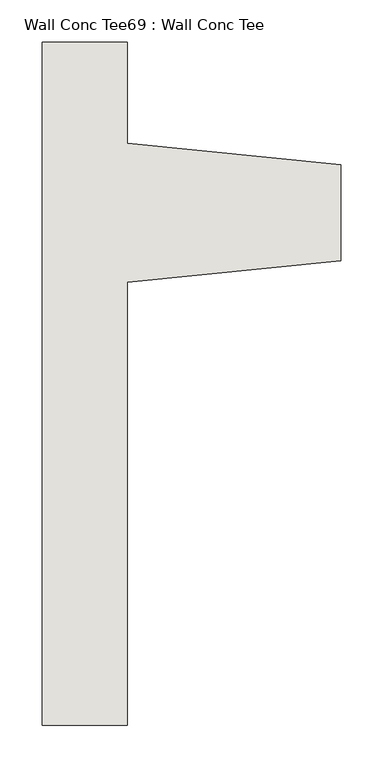
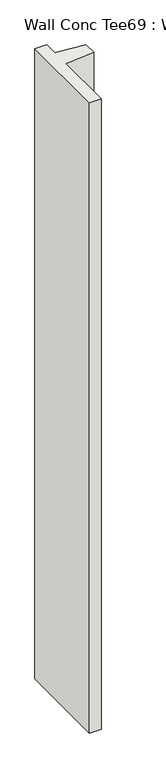
"""IFC4 building model written with IfcOpenShell, lengths in millimetres: wall geometry, Wall Conc Tee69 : Wall Conc Tee."""

from ifc_helpers import new_model, si_unit, frame, origin, place, context, project, spatial, polyline, outline, extrude, source, transform, mapped, element, save


def wall_conc_tee69_wall_conc_tee_e0e9b86d(model_context):
    return source(origin(), model_context, "Body", "SweptSolid", [
        extrude(outline(polyline([(240653.0728488, 180328.0596581), (240653.0728488, 181140.8596581), (240754.6728488, 181140.8596581), (240754.6728488, 181020.2096581), (241008.6728488, 180994.8096581), (241008.6728488, 180880.5096581), (240754.6728488, 180855.1096581), (240754.6728488, 180328.0596581), (240653.0728488, 180328.0596581)])), frame((0.0, 0.0, 143.7592564), z_axis=(0.0, 0.0, 1.0), x_axis=(1.0, 0.0, 0.0)), (0.0, 0.0, 1.0), 5740.4),
    ])


if __name__ == "__main__":
    model = new_model("IFC4")
    model_context = context("Model", 3, world=origin())
    ifc_project = project(units=[si_unit("LENGTHUNIT", "METRE", prefix="MILLI")], contexts=[model_context])
    site = spatial("IfcSite", under=ifc_project)
    building = spatial("IfcBuilding", under=site)
    placement = place(None, origin())
    wall_conc_tee69_wall_conc_tee_shape = wall_conc_tee69_wall_conc_tee_e0e9b86d(model_context)
    element("IfcWall", 1, ObjectType="Wall Conc Tee69 : Wall Conc Tee", at=placement, inside=building, context=model_context, shape_type="MappedRepresentation", body=[
        mapped(wall_conc_tee69_wall_conc_tee_shape, transform((0.0, 0.0, 0.0), x_axis=(1.0, 0.0, 0.0), y_axis=(0.0, 1.0, 0.0), z_axis=(0.0, 0.0, 1.0))),
    ])
    save(model, "model.ifc")
